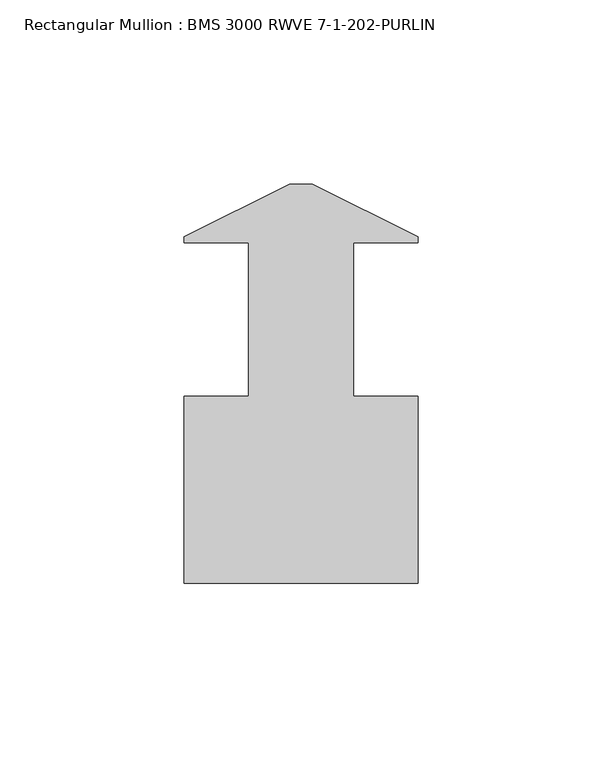
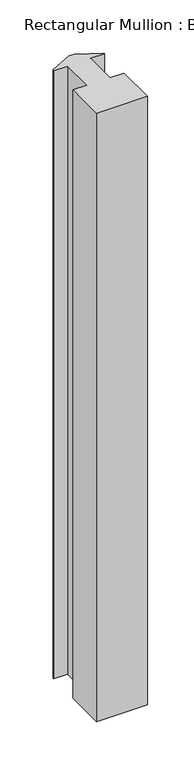
"""IFC4 building model written with IfcOpenShell, lengths in millimetres: member geometry, Rectangular Mullion : BMS 3000 RWVE 7-1-202-PURLIN."""

from ifc_helpers import new_model, si_unit, frame, origin, place, context, project, spatial, polyline, outline, extrude, source, transform, mapped, element, save


def rectangular_mullion_bms_3000_rwve_7_1_202_purlin_525a68a3(model_context):
    return source(origin(), model_context, "Body", "SweptSolid", [
        extrude(outline(polyline([(-3.175, 6.1102875), (3.175, 6.1102875), (31.75, -8.1608839), (31.75, -9.7647125), (14.2748, -9.7647125), (14.2748, -51.3953125), (31.75, -51.3953125), (31.75, -102.1953125), (-31.75, -102.1953125), (-31.75, -51.3953125), (-14.2748, -51.3953125), (-14.2748, -9.7647125), (-31.75, -9.7647125), (-31.75, -8.1608839), (-3.175, 6.1102875)])), frame((0.0, 0.0, -798.909375), z_axis=(0.0, 0.0, 1.0), x_axis=(1.0, 0.0, 0.0)), (0.0, 0.0, 1.0), 798.909375),
    ])


if __name__ == "__main__":
    model = new_model("IFC4")
    model_context = context("Model", 3, world=origin())
    ifc_project = project(units=[si_unit("LENGTHUNIT", "METRE", prefix="MILLI")], contexts=[model_context])
    site = spatial("IfcSite", under=ifc_project)
    building = spatial("IfcBuilding", under=site)
    placement = place(None, origin())
    rectangular_mullion_bms_3000_rwve_7_1_202_purlin_shape = rectangular_mullion_bms_3000_rwve_7_1_202_purlin_525a68a3(model_context)
    element("IfcMember", 1, ObjectType="Rectangular Mullion : BMS 3000 RWVE 7-1-202-PURLIN", at=placement, inside=building, context=model_context, shape_type="MappedRepresentation", body=[
        mapped(rectangular_mullion_bms_3000_rwve_7_1_202_purlin_shape, transform((0.0, 0.0, 0.0), x_axis=(1.0, 0.0, 0.0), y_axis=(0.0, 1.0, 0.0), z_axis=(0.0, 0.0, 1.0))),
    ])
    save(model, "model.ifc")
